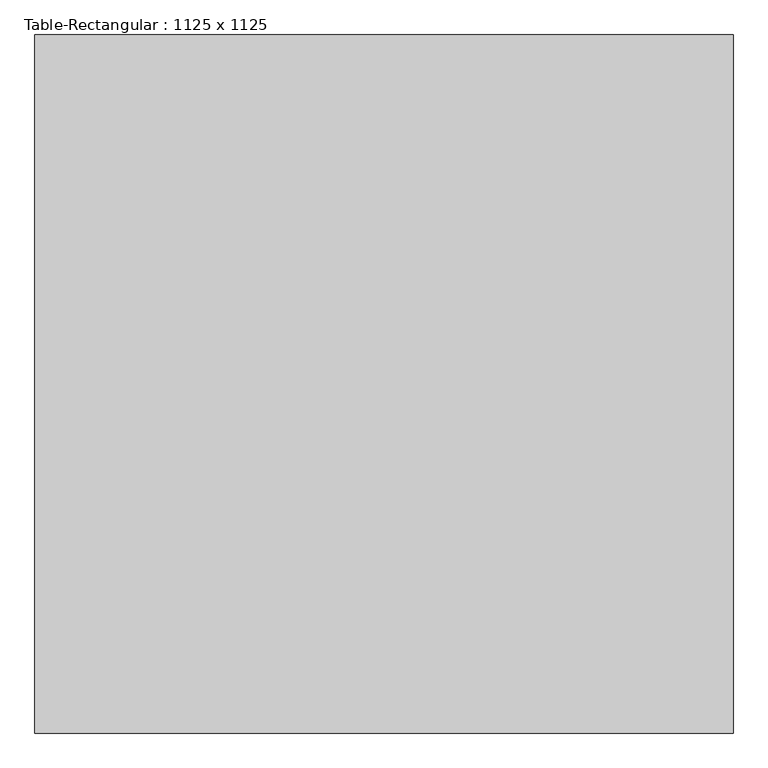
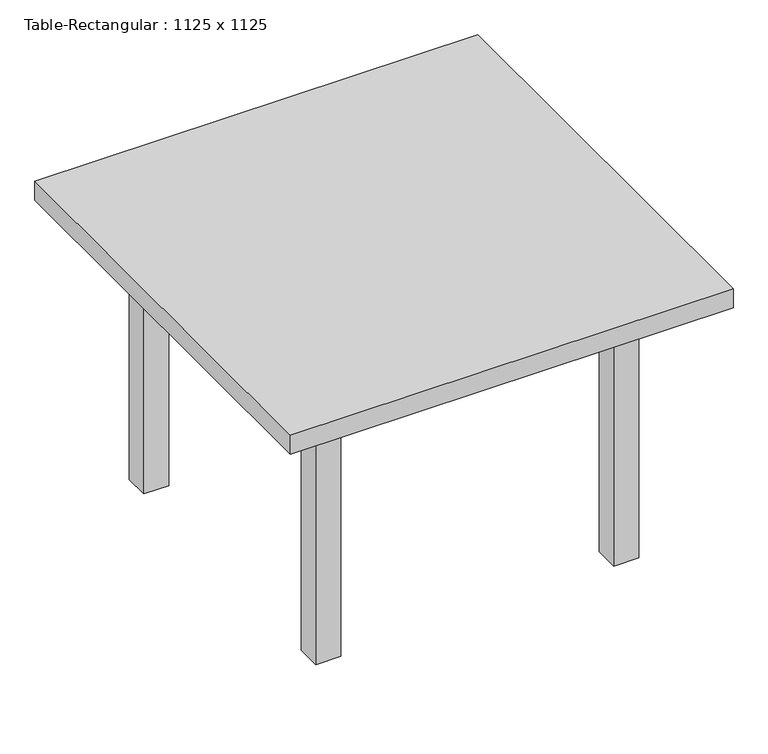
"""IFC4 building model written with IfcOpenShell, lengths in millimetres: furniture geometry, Table-Rectangular : 1125 x 1125."""

from ifc_helpers import new_model, si_unit, frame, origin, origin_with_axes, place, context, project, spatial, polyline, outline, extrude, source, transform, mapped, element, save


def table_rectangular_1125_x_1125_119e7f20(model_context):
    return source(origin(), model_context, "Body", "SweptSolid", [
        extrude(outline(polyline([(346.6, 372.0), (346.6, 346.6), (-346.6, 346.6), (-346.6, 372.0), (346.6, 372.0)])), frame((0.0, 0.0, 609.6), z_axis=(0.0, 0.0, 1.0), x_axis=(1.0, 0.0, 0.0)), (0.0, 0.0, 1.0), 101.6),
        extrude(outline(polyline([(346.6, -372.0), (-346.6, -372.0), (-346.6, -346.6), (346.6, -346.6), (346.6, -372.0)])), frame((0.0, 0.0, 609.6), z_axis=(0.0, 0.0, 1.0), x_axis=(1.0, 0.0, 0.0)), (0.0, 0.0, 1.0), 101.6),
        extrude(outline(polyline([(-359.3, -346.6), (-384.7, -346.6), (-384.7, 346.6), (-359.3, 346.6), (-359.3, -346.6)])), frame((0.0, 0.0, 609.6), z_axis=(0.0, 0.0, 1.0), x_axis=(1.0, 0.0, 0.0)), (0.0, 0.0, 1.0), 101.6),
        extrude(outline(polyline([(359.3, -346.6), (359.3, 346.6), (384.7, 346.6), (384.7, -346.6), (359.3, -346.6)])), frame((0.0, 0.0, 609.6), z_axis=(0.0, 0.0, 1.0), x_axis=(1.0, 0.0, 0.0)), (0.0, 0.0, 1.0), 101.6),
        extrude(outline(polyline([(562.5, 562.5), (562.5, -562.5), (-562.5, -562.5), (-562.5, 562.5), (562.5, 562.5)])), frame((0.0, 0.0, 711.2), z_axis=(0.0, 0.0, 1.0), x_axis=(1.0, 0.0, 0.0)), (0.0, 0.0, 1.0), 50.8),
        extrude(outline(polyline([(-346.6, 410.1), (-346.6, 346.6), (-410.1, 346.6), (-410.1, 410.1), (-346.6, 410.1)])), origin_with_axes(), (0.0, 0.0, 1.0), 711.2),
        extrude(outline(polyline([(346.6, 410.1), (410.1, 410.1), (410.1, 346.6), (346.6, 346.6), (346.6, 410.1)])), origin_with_axes(), (0.0, 0.0, 1.0), 711.2),
        extrude(outline(polyline([(-346.6, -410.1), (-410.1, -410.1), (-410.1, -346.6), (-346.6, -346.6), (-346.6, -410.1)])), origin_with_axes(), (0.0, 0.0, 1.0), 711.2),
        extrude(outline(polyline([(346.6, -410.1), (346.6, -346.6), (410.1, -346.6), (410.1, -410.1), (346.6, -410.1)])), origin_with_axes(), (0.0, 0.0, 1.0), 711.2),
    ])


if __name__ == "__main__":
    model = new_model("IFC4")
    model_context = context("Model", 3, world=origin())
    ifc_project = project(units=[si_unit("LENGTHUNIT", "METRE", prefix="MILLI")], contexts=[model_context])
    site = spatial("IfcSite", under=ifc_project)
    building = spatial("IfcBuilding", under=site)
    placement = place(None, origin())
    table_rectangular_1125_x_1125_shape = table_rectangular_1125_x_1125_119e7f20(model_context)
    element("IfcFurniture", 1, ObjectType="Table-Rectangular : 1125 x 1125", at=placement, inside=building, context=model_context, shape_type="MappedRepresentation", body=[
        mapped(table_rectangular_1125_x_1125_shape, transform((0.0, 0.0, 0.0), x_axis=(1.0, 0.0, 0.0), y_axis=(0.0, 1.0, 0.0), z_axis=(0.0, 0.0, 1.0))),
    ])
    save(model, "model.ifc")
